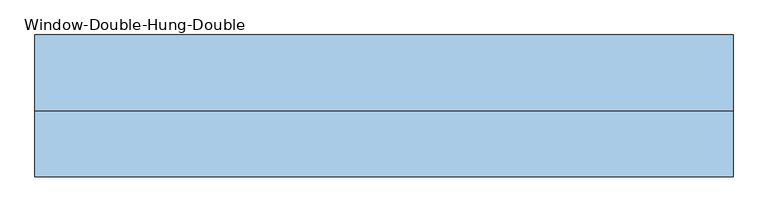
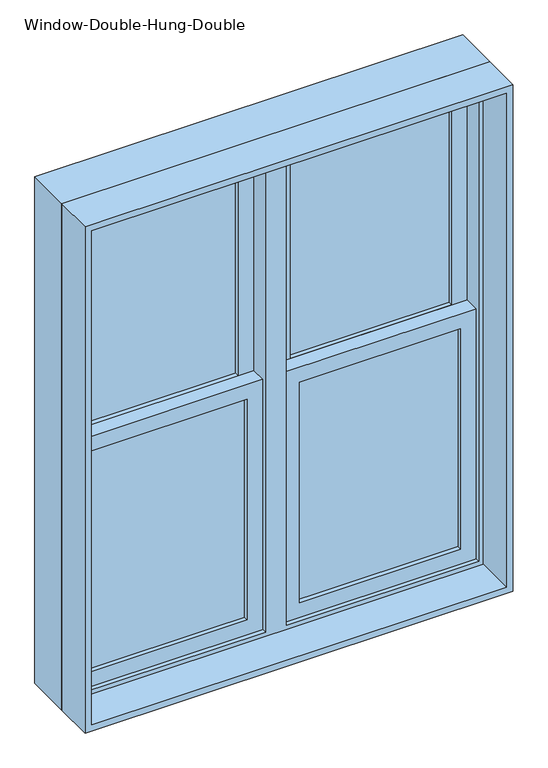
"""IFC4 building model written with IfcOpenShell, lengths in millimetres: window geometry, Window-Double-Hung-Double."""

from ifc_helpers import new_model, si_unit, frame, origin, place, context, project, spatial, polyline, outline, extrude, source, transform, mapped, element, save


def window_double_hung_double_1d5171b0(model_context):
    return source(origin(), model_context, "Body", "SweptSolid", [
        extrude(outline(polyline([(2438.4, 609.6), (2438.4, -609.6), (914.4, -609.6), (914.4, 609.6), (2438.4, 609.6)]), holes=[polyline([(2419.35, 590.55), (933.45, 590.55), (933.45, -590.55), (2419.35, -590.55), (2419.35, 590.55)])]), frame((0.0, -114.3, 0.0), z_axis=(0.0, 1.0, 0.0), x_axis=(0.0, 0.0, 1.0)), (0.0, 0.0, 1.0), 114.3),
        extrude(outline(polyline([(2406.65, 30.1625), (1654.175, 30.1625), (1654.175, 577.85), (2406.65, 577.85), (2406.65, 30.1625)]), holes=[polyline([(2362.2, 533.4), (1698.625, 533.4), (1698.625, 74.6125), (2362.2, 74.6125), (2362.2, 533.4)])]), frame((0.0, 57.15, 0.0), z_axis=(0.0, 1.0, 0.0), x_axis=(0.0, 0.0, 1.0)), (0.0, 0.0, 1.0), 44.45),
        extrude(outline(polyline([(1698.625, 30.1625), (946.15, 30.1625), (946.15, 577.85), (1698.625, 577.85), (1698.625, 30.1625)]), holes=[polyline([(1654.175, 533.4), (990.6, 533.4), (990.6, 74.6125), (1654.175, 74.6125), (1654.175, 533.4)])]), frame((0.0, 12.7, 0.0), z_axis=(0.0, 1.0, 0.0), x_axis=(0.0, 0.0, 1.0)), (0.0, 0.0, 1.0), 44.45),
        extrude(outline(polyline([(533.4, 88.9), (533.4, 82.55), (74.6125, 82.55), (74.6125, 88.9), (533.4, 88.9)])), frame((0.0, 0.0, 1698.625), z_axis=(0.0, 0.0, 1.0), x_axis=(1.0, 0.0, 0.0)), (0.0, 0.0, 1.0), 663.575),
        extrude(outline(polyline([(74.6125, 76.2), (533.4, 76.2), (533.4, 69.85), (74.6125, 69.85), (74.6125, 76.2)])), frame((0.0, 0.0, 1698.625), z_axis=(0.0, 0.0, 1.0), x_axis=(1.0, 0.0, 0.0)), (0.0, 0.0, 1.0), 663.575),
        extrude(outline(polyline([(533.4, 44.45), (533.4, 38.1), (74.6125, 38.1), (74.6125, 44.45), (533.4, 44.45)])), frame((0.0, 0.0, 990.6), z_axis=(0.0, 0.0, 1.0), x_axis=(1.0, 0.0, 0.0)), (0.0, 0.0, 1.0), 663.575),
        extrude(outline(polyline([(74.6125, 31.75), (533.4, 31.75), (533.4, 25.4), (74.6125, 25.4), (74.6125, 31.75)])), frame((0.0, 0.0, 990.6), z_axis=(0.0, 0.0, 1.0), x_axis=(1.0, 0.0, 0.0)), (0.0, 0.0, 1.0), 663.575),
        extrude(outline(polyline([(2406.65, -577.85), (1654.175, -577.85), (1654.175, -30.1625), (2406.65, -30.1625), (2406.65, -577.85)]), holes=[polyline([(2362.2, -74.6125), (1698.625, -74.6125), (1698.625, -533.4), (2362.2, -533.4), (2362.2, -74.6125)])]), frame((0.0, 57.15, 0.0), z_axis=(0.0, 1.0, 0.0), x_axis=(0.0, 0.0, 1.0)), (0.0, 0.0, 1.0), 44.45),
        extrude(outline(polyline([(1698.625, -577.85), (946.15, -577.85), (946.15, -30.1625), (1698.625, -30.1625), (1698.625, -577.85)]), holes=[polyline([(1654.175, -74.6125), (990.6, -74.6125), (990.6, -533.4), (1654.175, -533.4), (1654.175, -74.6125)])]), frame((0.0, 12.7, 0.0), z_axis=(0.0, 1.0, 0.0), x_axis=(0.0, 0.0, 1.0)), (0.0, 0.0, 1.0), 44.45),
        extrude(outline(polyline([(-533.4, 88.9), (-74.6125, 88.9), (-74.6125, 82.55), (-533.4, 82.55), (-533.4, 88.9)])), frame((0.0, 0.0, 1698.625), z_axis=(0.0, 0.0, 1.0), x_axis=(1.0, 0.0, 0.0)), (0.0, 0.0, 1.0), 663.575),
        extrude(outline(polyline([(-74.6125, 76.2), (-74.6125, 69.85), (-533.4, 69.85), (-533.4, 76.2), (-74.6125, 76.2)])), frame((0.0, 0.0, 1698.625), z_axis=(0.0, 0.0, 1.0), x_axis=(1.0, 0.0, 0.0)), (0.0, 0.0, 1.0), 663.575),
        extrude(outline(polyline([(-533.4, 44.45), (-74.6125, 44.45), (-74.6125, 38.1), (-533.4, 38.1), (-533.4, 44.45)])), frame((0.0, 0.0, 990.6), z_axis=(0.0, 0.0, 1.0), x_axis=(1.0, 0.0, 0.0)), (0.0, 0.0, 1.0), 663.575),
        extrude(outline(polyline([(-74.6125, 31.75), (-74.6125, 25.4), (-533.4, 25.4), (-533.4, 31.75), (-74.6125, 31.75)])), frame((0.0, 0.0, 990.6), z_axis=(0.0, 0.0, 1.0), x_axis=(1.0, 0.0, 0.0)), (0.0, 0.0, 1.0), 663.575),
        extrude(outline(polyline([(2438.4, 609.6), (2438.4, -609.6), (914.4, -609.6), (914.4, 609.6), (2438.4, 609.6)]), holes=[polyline([(946.15, -577.85), (2406.65, -577.85), (2406.65, -30.1625), (946.15, -30.1625), (946.15, -577.85)]), polyline([(946.15, 577.85), (946.15, 30.1625), (2406.65, 30.1625), (2406.65, 577.85), (946.15, 577.85)])]), frame((0.0, 0.0, 0.0), z_axis=(0.0, 1.0, 0.0), x_axis=(0.0, 0.0, 1.0)), (0.0, 0.0, 1.0), 133.35),
    ])


if __name__ == "__main__":
    model = new_model("IFC4")
    model_context = context("Model", 3, world=origin())
    ifc_project = project(units=[si_unit("LENGTHUNIT", "METRE", prefix="MILLI")], contexts=[model_context])
    site = spatial("IfcSite", under=ifc_project)
    building = spatial("IfcBuilding", under=site)
    placement = place(None, origin())
    window_double_hung_double_shape = window_double_hung_double_1d5171b0(model_context)
    element("IfcWindow", 1, ObjectType="Window-Double-Hung-Double", at=placement, inside=building, context=model_context, shape_type="MappedRepresentation", body=[
        mapped(window_double_hung_double_shape, transform((0.0, 0.0, 0.0), x_axis=(1.0, 0.0, 0.0), y_axis=(0.0, 1.0, 0.0), z_axis=(0.0, 0.0, 1.0))),
    ])
    save(model, "model.ifc")
